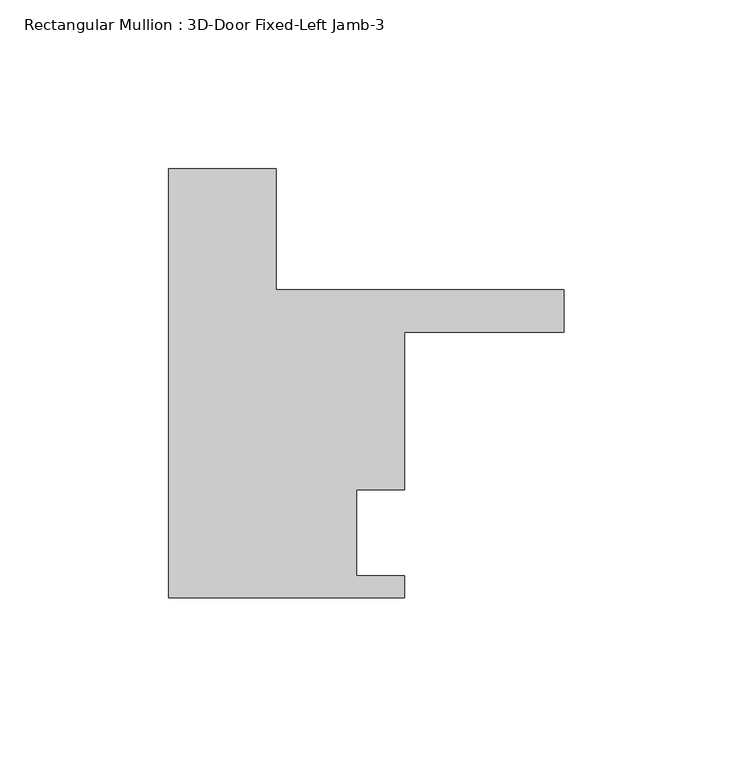
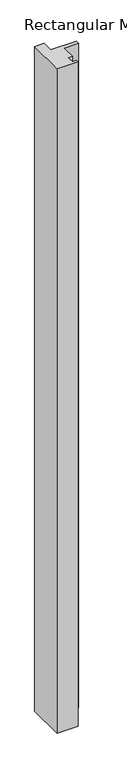
"""IFC4 building model written with IfcOpenShell, lengths in millimetres: member geometry, Rectangular Mullion : 3D-Door Fixed-Left Jamb-3."""

from ifc_helpers import new_model, si_unit, frame, origin, place, context, project, spatial, polyline, outline, extrude, source, transform, mapped, element, save


def rectangular_mullion_3d_door_fixed_left_jamb_3_4a3f4f33(model_context):
    return source(origin(), model_context, "Body", "SweptSolid", [
        extrude(outline(polyline([(31.7500081, 53.975), (31.7500081, 18.2328995), (117.0858712, 18.2328995), (117.0858712, 5.5949286), (69.8500081, 5.5949286), (69.8500081, -41.0463644), (55.5625201, -41.0463644), (55.5625201, -66.4463644), (69.8500081, -66.4463644), (69.8500081, -73.025), (0.0, -73.025), (0.0, 53.975), (31.7500081, 53.975)])), frame((0.0, 0.0, -2326.182887), z_axis=(0.0, 0.0, 1.0), x_axis=(1.0, 0.0, 0.0)), (0.0, 0.0, 1.0), 2326.182887),
    ])


if __name__ == "__main__":
    model = new_model("IFC4")
    model_context = context("Model", 3, world=origin())
    ifc_project = project(units=[si_unit("LENGTHUNIT", "METRE", prefix="MILLI")], contexts=[model_context])
    site = spatial("IfcSite", under=ifc_project)
    building = spatial("IfcBuilding", under=site)
    placement = place(None, origin())
    rectangular_mullion_3d_door_fixed_left_jamb_3_shape = rectangular_mullion_3d_door_fixed_left_jamb_3_4a3f4f33(model_context)
    element("IfcMember", 1, ObjectType="Rectangular Mullion : 3D-Door Fixed-Left Jamb-3", at=placement, inside=building, context=model_context, shape_type="MappedRepresentation", body=[
        mapped(rectangular_mullion_3d_door_fixed_left_jamb_3_shape, transform((0.0, 0.0, 0.0), x_axis=(1.0, 0.0, 0.0), y_axis=(0.0, 1.0, 0.0), z_axis=(0.0, 0.0, 1.0))),
    ])
    save(model, "model.ifc")
